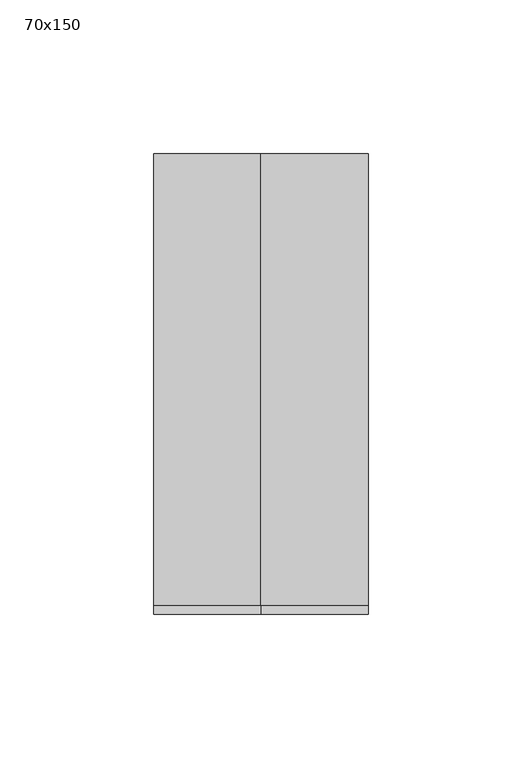
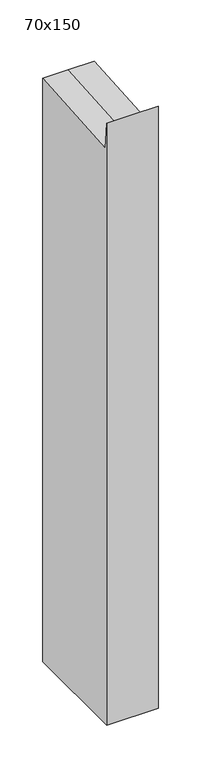
"""IFC4 building model written with IfcOpenShell, lengths in millimetres: member geometry, 70x150."""

from ifc_helpers import new_model, si_unit, origin, place, context, project, spatial, faceted_brep, source, transform, mapped, element, save


def member_70x150_2d59e3c7(model_context):
    return source(origin(), model_context, "Body", "Brep", [
        faceted_brep([(35.0, 75.0, -830.0), (35.0, -75.0, -830.0), (-35.0, -75.0, -830.0), (-35.0, 75.0, -830.0), (-35.0, 75.0, 5.5953132), (0.0, 75.0, 5.5953132), (35.0, 75.0, 5.5953132), (-35.0, -75.0, 32.1560401), (-35.0, -72.1340754, -5.5792455), (35.0, -75.0, 32.1560401), (0.0, -75.0, 32.1560401), (35.0, -72.1340754, -5.5792455), (0.0, -72.1340754, -5.5792455)], [[[0, 1, 2, 3]], [[4, 5, 6, 0, 3]], [[7, 8, 4, 3, 2]], [[9, 10, 7, 2, 1]], [[6, 11, 9, 1, 0]], [[6, 5, 12, 11]], [[5, 4, 8, 12]], [[8, 7, 10, 12]], [[10, 9, 11, 12]]]),
    ])


if __name__ == "__main__":
    model = new_model("IFC4")
    model_context = context("Model", 3, world=origin())
    ifc_project = project(units=[si_unit("LENGTHUNIT", "METRE", prefix="MILLI")], contexts=[model_context])
    site = spatial("IfcSite", under=ifc_project)
    building = spatial("IfcBuilding", under=site)
    placement = place(None, origin())
    member_70x150_shape = member_70x150_2d59e3c7(model_context)
    element("IfcMember", 1, ObjectType="70x150", at=placement, inside=building, context=model_context, shape_type="MappedRepresentation", body=[
        mapped(member_70x150_shape, transform((0.0, 0.0, 0.0), x_axis=(1.0, 0.0, 0.0), y_axis=(0.0, 1.0, 0.0), z_axis=(0.0, 0.0, 1.0))),
    ])
    save(model, "model.ifc")
